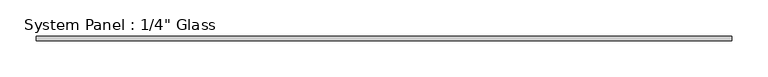
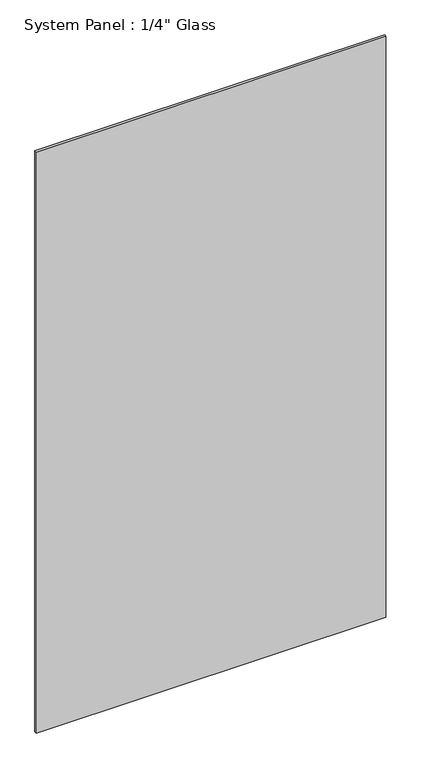
"""IFC4 building model written with IfcOpenShell, lengths in millimetres: plate geometry."""

from ifc_helpers import new_model, si_unit, origin, origin_with_axes, place, context, project, spatial, polyline, outline, extrude, source, transform, mapped, element, save


def plate_2cf79ba8(model_context):
    return source(origin(), model_context, "Body", "SweptSolid", [
        extrude(outline(polyline([(482.4848712, -3.175), (-482.4848712, -3.175), (-482.4848712, 3.175), (482.4848712, 3.175), (482.4848712, -3.175)])), origin_with_axes(), (0.0, 0.0, 1.0), 1695.45),
    ])


if __name__ == "__main__":
    model = new_model("IFC4")
    model_context = context("Model", 3, world=origin())
    ifc_project = project(units=[si_unit("LENGTHUNIT", "METRE", prefix="MILLI")], contexts=[model_context])
    site = spatial("IfcSite", under=ifc_project)
    building = spatial("IfcBuilding", under=site)
    placement = place(None, origin())
    plate_shape = plate_2cf79ba8(model_context)
    element("IfcPlate", 1, ObjectType="System Panel : 1/4\" Glass", at=placement, inside=building, context=model_context, shape_type="MappedRepresentation", body=[
        mapped(plate_shape, transform((0.0, 0.0, 0.0), x_axis=(1.0, 0.0, 0.0), y_axis=(0.0, 1.0, 0.0), z_axis=(0.0, 0.0, 1.0))),
    ])
    save(model, "model.ifc")
